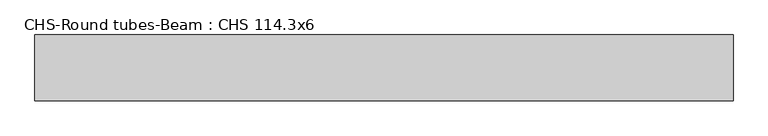
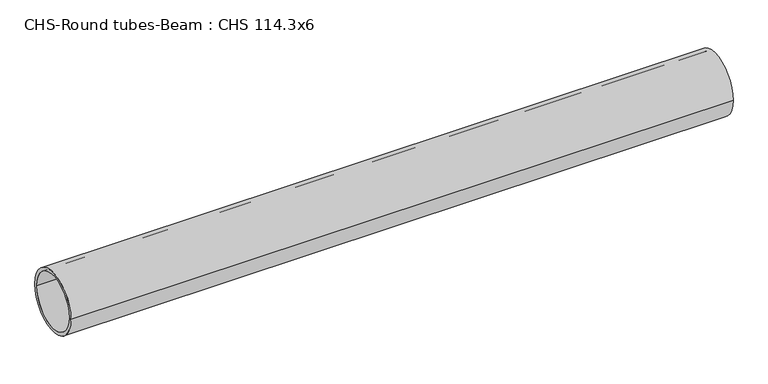
"""IFC4 building model written with IfcOpenShell, lengths in millimetres: beam geometry, CHS-Round tubes-Beam : CHS 114.3x6."""

from ifc_helpers import new_model, si_unit, point, frame, origin, origin_2d, place, context, project, spatial, circle_curve, trimmed, segment, composite_curve, outline, extrude, source, transform, mapped, element, save


def chs_round_tubes_beam_chs_114_3x6_f2788c5a(model_context):
    return source(origin(), model_context, "Body", "SweptSolid", [
        extrude(outline(composite_curve([segment(trimmed(circle_curve(origin_2d(), 57.15), [point((57.15, 0.0))], [point((-57.15, 0.0))], False, "CARTESIAN"), True, "CONTINUOUS"), segment(trimmed(circle_curve(origin_2d(), 57.15), [point((-57.15, 0.0))], [point((57.15, 0.0))], False, "CARTESIAN"), True, "CONTINUOUS")], self_intersect=False), holes=[composite_curve([segment(trimmed(circle_curve(origin_2d(), 51.15), [point((51.15, 0.0))], [point((-51.15, 0.0))], True, "CARTESIAN"), True, "CONTINUOUS"), segment(trimmed(circle_curve(origin_2d(), 51.15), [point((-51.15, 0.0))], [point((51.15, 0.0))], True, "CARTESIAN"), True, "CONTINUOUS")], self_intersect=False)]), frame((-619.8695143, 0.0, 0.0), z_axis=(1.0, 0.0, 0.0), x_axis=(0.0, 1.0, 0.0)), (0.0, 0.0, 1.0), 1212.6697889),
    ])


if __name__ == "__main__":
    model = new_model("IFC4")
    model_context = context("Model", 3, world=origin())
    ifc_project = project(units=[si_unit("LENGTHUNIT", "METRE", prefix="MILLI")], contexts=[model_context])
    site = spatial("IfcSite", under=ifc_project)
    building = spatial("IfcBuilding", under=site)
    placement = place(None, origin())
    chs_round_tubes_beam_chs_114_3x6_shape = chs_round_tubes_beam_chs_114_3x6_f2788c5a(model_context)
    element("IfcBeam", 1, ObjectType="CHS-Round tubes-Beam : CHS 114.3x6", at=placement, inside=building, context=model_context, shape_type="MappedRepresentation", body=[
        mapped(chs_round_tubes_beam_chs_114_3x6_shape, transform((0.0, 0.0, 0.0), x_axis=(1.0, 0.0, 0.0), y_axis=(0.0, 1.0, 0.0), z_axis=(0.0, 0.0, 1.0))),
    ])
    save(model, "model.ifc")
